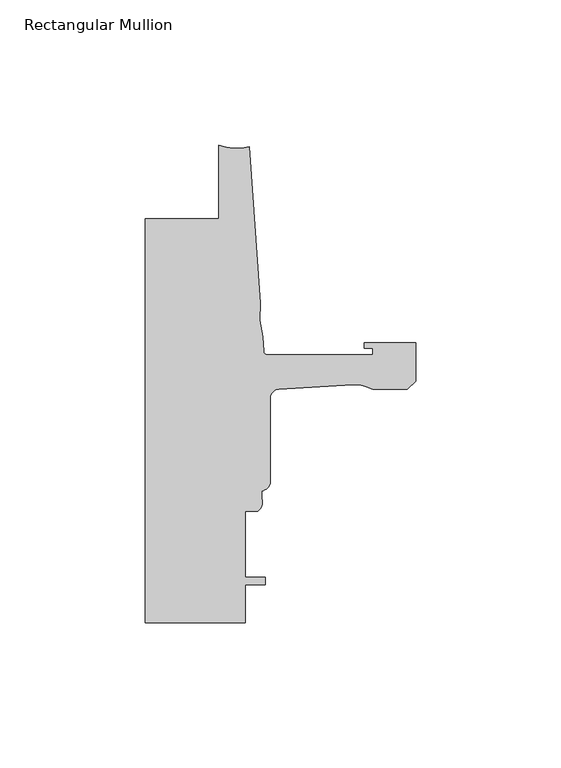
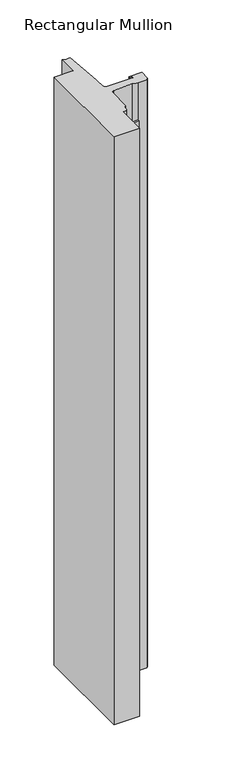
"""IFC4 building model written with IfcOpenShell, lengths in millimetres: member geometry, Rectangular Mullion."""

from ifc_helpers import new_model, si_unit, point, frame, frame_2d, origin, place, context, project, spatial, polyline, circle_curve, trimmed, segment, composite_curve, outline, extrude, source, transform, mapped, element, save


def rectangular_mullion_99bf0334(model_context):
    return source(origin(), model_context, "Body", "SweptSolid", [
        extrude(outline(composite_curve([segment(polyline([(-93.2286109, -50.8004525), (-67.8287241, -50.8004525), (-67.8287241, -25.4)]), True, "CONTINUOUS"), segment(trimmed(circle_curve(frame_2d((-61.5737839, -9.8669201)), 16.7451739), [point((-67.8287241, -25.4))], [point((-57.2987828, -26.0572016))], True, "CARTESIAN"), True, "CONTINUOUS"), segment(polyline([(-57.2987828, -26.0572016), (-53.5273008, -79.9916583)]), True, "CONTINUOUS"), segment(trimmed(circle_curve(frame_2d((-22.6573046, -83.620143)), 31.0825122), [point((-53.5273008, -79.9916583))], [point((-52.7218885, -91.5095894))], True, "CARTESIAN"), True, "CONTINUOUS"), segment(polyline([(-52.7218885, -91.5095894), (-52.3871825, -96.2961089)]), True, "CONTINUOUS"), segment(trimmed(circle_curve(frame_2d((-50.8668948, -96.1898)), 1.524), [point((-52.3871825, -96.2961089))], [point((-50.8668948, -97.7138))], True, "CARTESIAN"), True, "CONTINUOUS"), segment(polyline([(-50.8668948, -97.7138), (-14.783487, -97.7138), (-14.783487, -95.3769999), (-17.6377748, -95.3769999), (-17.6377748, -93.5989999), (0.0, -93.5989999), (0.0, -106.7555127), (-2.845487, -109.6009998), (-14.7368542, -109.6009998)]), True, "CONTINUOUS"), segment(trimmed(circle_curve(frame_2d((-20.8718421, -120.5826865)), 12.5791701), [point((-14.7368542, -109.6009998))], [point((-21.6202542, -108.0257999))], True, "CARTESIAN"), True, "CONTINUOUS"), segment(polyline([(-21.6202542, -108.0257999), (-47.0897067, -109.5438232)]), True, "CONTINUOUS"), segment(trimmed(circle_curve(frame_2d((-46.9265, -112.7146257)), 3.175), [point((-47.0897067, -109.5438232))], [point((-50.1015, -112.7146257))], True, "CARTESIAN"), True, "CONTINUOUS"), segment(polyline([(-50.1015, -112.7146257), (-50.1015, -141.426113)]), True, "CONTINUOUS"), segment(trimmed(circle_curve(frame_2d((-53.2765, -141.426113)), 3.175), [point((-50.1015, -141.426113))], [point((-53.0225002, -144.5909367))], False, "CARTESIAN"), True, "CONTINUOUS"), segment(polyline([(-53.0225002, -144.5909367), (-53.0225002, -147.1775425)]), True, "CONTINUOUS"), segment(trimmed(circle_curve(frame_2d((-56.4301064, -148.496956)), 3.6541253), [point((-53.0225002, -147.1775425))], [point((-54.4195002, -151.5482008))], False, "CARTESIAN"), True, "CONTINUOUS"), segment(polyline([(-54.4195002, -151.5482008), (-58.7375, -151.5482008), (-58.7375, -174.4082008), (-51.8795003, -174.4082008), (-51.8795003, -176.9482008), (-58.7375, -176.9482008), (-58.7375, -189.992), (-93.2286109, -189.992), (-93.2286109, -50.8004525)]), True, "CONTINUOUS")], self_intersect=False)), frame((0.0, 0.0, -831.6331251), z_axis=(0.0, 0.0, 1.0), x_axis=(1.0, 0.0, 0.0)), (0.0, 0.0, 1.0), 831.6331251),
    ])


if __name__ == "__main__":
    model = new_model("IFC4")
    model_context = context("Model", 3, world=origin())
    ifc_project = project(units=[si_unit("LENGTHUNIT", "METRE", prefix="MILLI")], contexts=[model_context])
    site = spatial("IfcSite", under=ifc_project)
    building = spatial("IfcBuilding", under=site)
    placement = place(None, origin())
    rectangular_mullion_shape = rectangular_mullion_99bf0334(model_context)
    element("IfcMember", 1, ObjectType="Rectangular Mullion", at=placement, inside=building, context=model_context, shape_type="MappedRepresentation", body=[
        mapped(rectangular_mullion_shape, transform((0.0, 0.0, 0.0), x_axis=(1.0, 0.0, 0.0), y_axis=(0.0, 1.0, 0.0), z_axis=(0.0, 0.0, 1.0))),
    ])
    save(model, "model.ifc")
